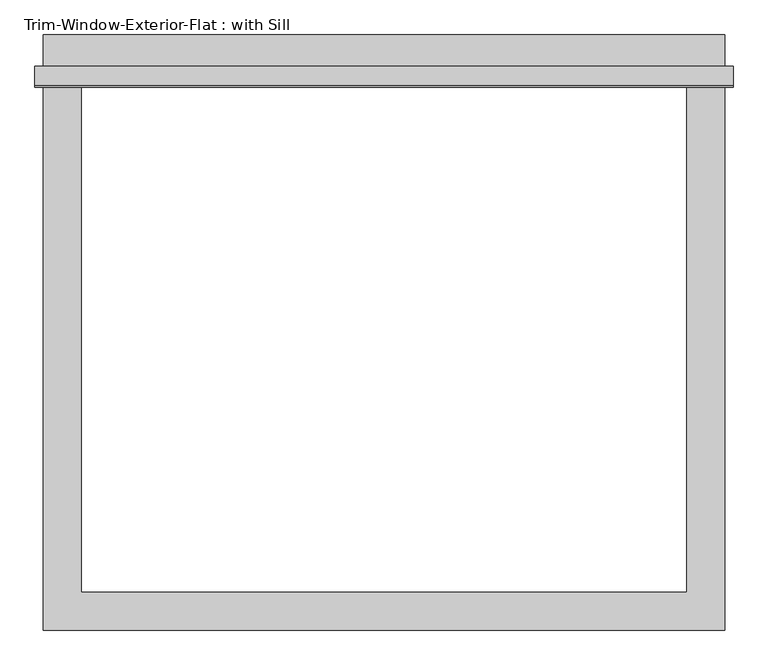
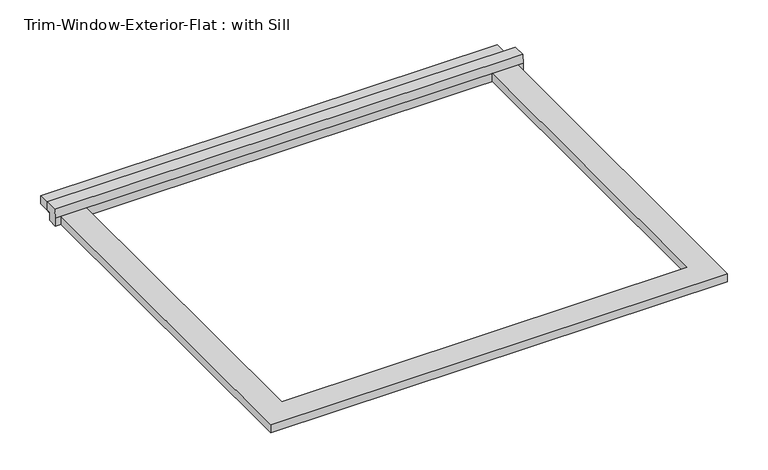
"""IFC4 building model written with IfcOpenShell, lengths in millimetres: proxy geometry, Trim-Window-Exterior-Flat : with Sill."""

import ifcopenshell
import ifcopenshell.guid

model = None  # the IFC model being written
_history = None  # IfcOwnerHistory: only IFC2X3 demands one
_inside = {}  # id of a spatial element -> (the spatial element, [elements in it])
_under = {}  # id of a project, library or spatial element -> (it, [spatial elements below it])
_declared = {}  # id of a project -> (the project, [libraries it declares])
_typed = {}  # id of a type object -> (the type object, [elements of that type])
_made_of = {}  # id of a material, layer set ... -> (it, [elements and type objects made of it])


def new_model(schema):
    """Start an empty IFC model of exactly this schema.

    Asked for "IFC4X3", IfcOpenShell would pick the latest addendum, in which some entities
    have other attributes; the version numbers below select the first issue.
    IFC2X3 requires an IfcOwnerHistory on every rooted entity: one is made here for all.
    """
    global model, _history
    if schema == "IFC4X3":
        model = ifcopenshell.file(schema_version=(4, 3, 0, 0))
    else:
        model = ifcopenshell.file(schema=schema)
    _inside.clear()
    _under.clear()
    _declared.clear()
    _typed.clear()
    _made_of.clear()
    _history = None
    if model.schema == "IFC2X3":
        org = make("IfcOrganization", Name="unknown")
        user = make(
            "IfcPersonAndOrganization",
            ThePerson=make("IfcPerson", FamilyName="unknown"),
            TheOrganization=org,
        )
        app = make(
            "IfcApplication",
            ApplicationDeveloper=org,
            Version="unknown",
            ApplicationFullName="unknown",
            ApplicationIdentifier="unknown",
        )
        _history = make(
            "IfcOwnerHistory",
            OwningUser=user,
            OwningApplication=app,
            ChangeAction="ADDED",
            CreationDate=0,
        )
    return model


def make(cls, **values):
    """One entity of the class cls with the attributes given. An attribute that is None is left unset."""
    return model.create_entity(
        cls, **{name: value for name, value in values.items() if value is not None}
    )


def rooted(cls, **values):
    """An entity with a GlobalId (a new one), such as an element, a storey or a relation."""
    return make(cls, GlobalId=ifcopenshell.guid.new(), OwnerHistory=_history, **values)


def si_unit(unit_type, name, prefix=None):
    """IfcSIUnit, for example si_unit("LENGTHUNIT", "METRE", prefix="MILLI")."""
    return make("IfcSIUnit", UnitType=unit_type, Prefix=prefix, Name=name)


def assignment(units):
    """IfcUnitAssignment: the units of a project."""
    return None if units is None else make("IfcUnitAssignment", Units=units)


def point(xyz):
    """IfcCartesianPoint."""
    return None if xyz is None else make("IfcCartesianPoint", Coordinates=xyz)


def direction(xyz):
    """IfcDirection."""
    return None if xyz is None else make("IfcDirection", DirectionRatios=xyz)


def frame(location, z_axis=None, x_axis=None):
    """IfcAxis2Placement3D, a coordinate frame: its origin and axes. An axis left out is left unset."""
    return make(
        "IfcAxis2Placement3D",
        Location=point(location),
        Axis=direction(z_axis),
        RefDirection=direction(x_axis),
    )


def origin():
    """The frame at (0, 0, 0) with its axes left unset."""
    return frame((0.0, 0.0, 0.0))


def origin_with_axes():
    """The frame at (0, 0, 0) with the z axis (0, 0, 1) and the x axis (1, 0, 0) written out."""
    return frame((0.0, 0.0, 0.0), z_axis=(0.0, 0.0, 1.0), x_axis=(1.0, 0.0, 0.0))


def place(relative_to, where):
    """IfcLocalPlacement: puts the frame where relative to a parent placement (None: the world)."""
    return make(
        "IfcLocalPlacement", PlacementRelTo=relative_to, RelativePlacement=where
    )


def context(
    kind, dimensions, precision=None, world=None, true_north=None, identifier=None
):
    """IfcGeometricRepresentationContext, for example the 3D "Model" context."""
    return make(
        "IfcGeometricRepresentationContext",
        ContextIdentifier=identifier,
        ContextType=kind,
        CoordinateSpaceDimension=dimensions,
        Precision=precision,
        WorldCoordinateSystem=world,
        TrueNorth=true_north,
    )


def project(units=None, contexts=None):
    """IfcProject with its units and contexts."""
    return rooted(
        "IfcProject",
        Name="project",
        RepresentationContexts=contexts,
        UnitsInContext=assignment(units),
    )


def spatial(cls, under=None, at=None, **own):
    """A site, building, storey or space (cls), placed at a placement, below another one or the project."""
    s = rooted(cls, ObjectPlacement=at, **own)
    if under is not None:
        _under.setdefault(under.id(), (under, []))[1].append(s)
    return s


def polyline(points):
    """IfcPolyline through the points."""
    return make("IfcPolyline", Points=[point(p) for p in points])


def outline(outer, holes=None, kind="AREA"):
    """IfcArbitraryClosedProfileDef: a profile drawn as a closed curve; with holes, ...WithVoids."""
    if holes is None:
        return make("IfcArbitraryClosedProfileDef", ProfileType=kind, OuterCurve=outer)
    return make(
        "IfcArbitraryProfileDefWithVoids",
        ProfileType=kind,
        OuterCurve=outer,
        InnerCurves=holes,
    )


def extrude(swept, where, along, depth):
    """IfcExtrudedAreaSolid: the profile swept, set in the frame where, extruded along a direction by depth."""
    return make(
        "IfcExtrudedAreaSolid",
        SweptArea=swept,
        Position=where,
        ExtrudedDirection=direction(along),
        Depth=depth,
    )


def shape(context_of_items, identifier, shape_type, items):
    """IfcShapeRepresentation: the items that make up one representation, for example the "Body"."""
    return make(
        "IfcShapeRepresentation",
        ContextOfItems=context_of_items,
        RepresentationIdentifier=identifier,
        RepresentationType=shape_type,
        Items=items,
    )


def source(mapping_origin, context_of_items, identifier, shape_type, items):
    """IfcRepresentationMap: a shape defined once, which mapped items show again and again."""
    return make(
        "IfcRepresentationMap",
        MappingOrigin=mapping_origin,
        MappedRepresentation=shape(context_of_items, identifier, shape_type, items),
    )


def transform(
    local_origin,
    x_axis=None,
    y_axis=None,
    z_axis=None,
    scale=None,
    scale2=None,
    scale3=None,
    uniform=True,
):
    """IfcCartesianTransformationOperator3D, or its non-uniform kind. x_axis, y_axis, z_axis: its Axis1, 2, 3."""
    if uniform:
        return make(
            "IfcCartesianTransformationOperator3D",
            Axis1=direction(x_axis),
            Axis2=direction(y_axis),
            LocalOrigin=point(local_origin),
            Scale=scale,
            Axis3=direction(z_axis),
        )
    return make(
        "IfcCartesianTransformationOperator3DnonUniform",
        Axis1=direction(x_axis),
        Axis2=direction(y_axis),
        LocalOrigin=point(local_origin),
        Scale=scale,
        Axis3=direction(z_axis),
        Scale2=scale2,
        Scale3=scale3,
    )


def mapped(mapping_source, mapping_target):
    """IfcMappedItem: shows the shape of a source again, moved by a transform."""
    return make(
        "IfcMappedItem", MappingSource=mapping_source, MappingTarget=mapping_target
    )


def made_of(thing, what):
    """Note that an element or type object is made of a material, layer set ...; save() writes the relation."""
    if what is not None:
        _made_of.setdefault(what.id(), (what, []))[1].append(thing)
    return thing


def element(
    cls,
    number,
    at=None,
    inside=None,
    cuts=None,
    type_object=None,
    material=None,
    context=None,
    identifier="Body",
    shape_type=None,
    held_by="IfcProductDefinitionShape",
    body=None,
    shapes=None,
    **own,
):
    """One element of the class cls, such as IfcWall. Its Tag is "e" and its number.

    at: its placement. inside: the storey or other place that contains it. cuts: it is an
    opening in that element (IfcRelVoidsElement). A single representation is given by context,
    identifier, shape_type and body (its items); several are given by shapes. held_by: the class
    of the entity that holds the representations. save() writes the other relations.
    """
    e = rooted(cls, Tag="e%d" % number, ObjectPlacement=at, **own)
    if body is not None:
        shapes = [shape(context, identifier, shape_type, body)]
    if shapes is not None:
        e.Representation = make(held_by, Representations=shapes)
    if inside is not None:
        _inside.setdefault(inside.id(), (inside, []))[1].append(e)
    if cuts is not None:
        rooted(
            "IfcRelVoidsElement", RelatingBuildingElement=cuts, RelatedOpeningElement=e
        )
    if type_object is not None:
        _typed.setdefault(type_object.id(), (type_object, []))[1].append(e)
    return made_of(e, material)


def aggregate(whole, parts):
    """IfcRelAggregates: a whole, such as a stair, and the parts it consists of."""
    return rooted("IfcRelAggregates", RelatingObject=whole, RelatedObjects=parts)


def save(model, path):
    """Write the relations noted so far, then the file.

    IfcRelAggregates (storeys below a building ...), IfcRelContainedInSpatialStructure (elements
    in a storey), IfcRelDefinesByType, IfcRelAssociatesMaterial and IfcRelDeclares: one each for
    every whole, place, type object, material and project.
    """
    for whole, parts in _under.values():
        aggregate(whole, parts)
    for where, things in _inside.values():
        rooted(
            "IfcRelContainedInSpatialStructure",
            RelatedElements=things,
            RelatingStructure=where,
        )
    for kind, things in _typed.values():
        rooted("IfcRelDefinesByType", RelatedObjects=things, RelatingType=kind)
    for what, things in _made_of.values():
        rooted("IfcRelAssociatesMaterial", RelatedObjects=things, RelatingMaterial=what)
    for by, libraries in _declared.values():
        rooted("IfcRelDeclares", RelatingContext=by, RelatedDefinitions=libraries)
    model.write(path)


def trim_window_exterior_flat_with_sill_a3a5c6ac(model_context):
    return source(origin(), model_context, "Body", "SweptSolid", [
        extrude(outline(polyline([(514.35, 784.1823709), (-514.35, 784.1823709), (-514.35, 841.3323709), (514.35, 841.3323709), (514.35, 784.1823709)])), origin_with_axes(), (0.0, 0.0, 1.0), 19.05),
        extrude(outline(polyline([(793.75, 38.1), (793.75, 19.05), (784.1823709, 19.05), (784.1823709, 0.0), (762.0, 0.0), (762.0, 19.05), (764.4580645, 38.1), (793.75, 38.1)])), frame((-527.05, 0.0, 0.0), z_axis=(1.0, 0.0, 0.0), x_axis=(0.0, 1.0, 0.0)), (0.0, 0.0, 1.0), 1054.1),
        extrude(outline(polyline([(-514.35, -57.15), (-514.35, 762.0), (-457.2, 762.0), (-457.2, 0.0), (457.2, 0.0), (457.2, 762.0), (514.35, 762.0), (514.35, -57.15), (-514.35, -57.15)])), origin_with_axes(), (0.0, 0.0, 1.0), 19.05),
    ])


if __name__ == "__main__":
    model = new_model("IFC4")
    model_context = context("Model", 3, world=origin())
    ifc_project = project(units=[si_unit("LENGTHUNIT", "METRE", prefix="MILLI")], contexts=[model_context])
    site = spatial("IfcSite", under=ifc_project)
    building = spatial("IfcBuilding", under=site)
    placement = place(None, origin())
    trim_window_exterior_flat_with_sill_shape = trim_window_exterior_flat_with_sill_a3a5c6ac(model_context)
    element("IfcBuildingElementProxy", 1, Name="Trim-Window-Exterior-Flat : with Sill", ObjectType="Trim-Window-Exterior-Flat : with Sill", at=placement, inside=building, context=model_context, shape_type="MappedRepresentation", body=[
        mapped(trim_window_exterior_flat_with_sill_shape, transform((0.0, 0.0, 0.0), x_axis=(1.0, 0.0, 0.0), y_axis=(0.0, 1.0, 0.0), z_axis=(0.0, 0.0, 1.0))),
    ])
    save(model, "model.ifc")
